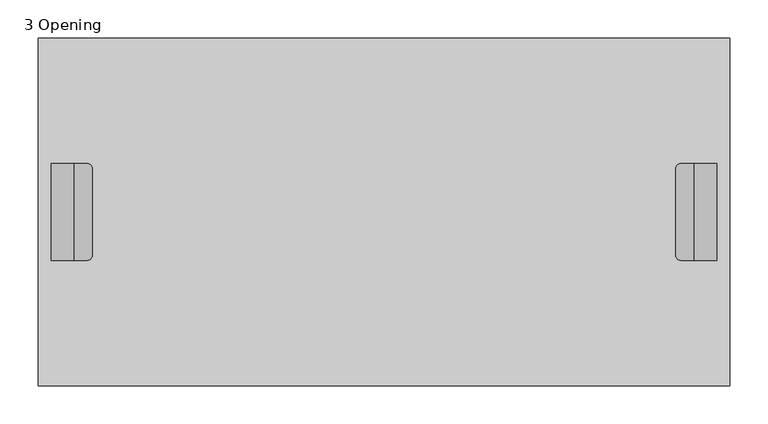
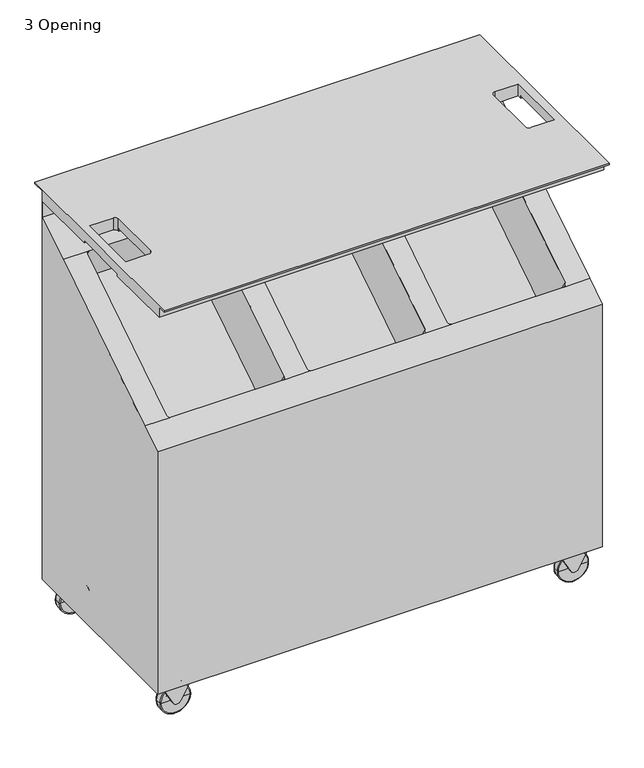
"""IFC4 building model written with IfcOpenShell, lengths in millimetres: furniture geometry, 3 Opening."""

from ifc_helpers import new_model, si_unit, point, frame, frame_2d, origin, place, context, project, spatial, polyline, circle_curve, ellipse_curve, trimmed, segment, composite_curve, outline, extrude, source, transform, mapped, element, save
from ifc_brep_helpers import plane_surface, cylinder_surface, revolved_surface, advanced_brep


def furniture_3_opening_07100883(model_context):
    return source(origin(), model_context, "Body", "SolidModel", [
        advanced_brep(
        [(911.56, -457.2, 911.56), (911.56, -457.2, 907.999633), (911.56, -439.2, 907.999633), (911.56, -439.2, 886.1806), (911.56, -292.2, 886.1806), (911.56, -292.2, 891.399), (911.56, -174.1382207, 891.399), (911.56, -174.1382207, 886.1806), (911.56, -26.2, 886.1806), (911.56, -26.2, 852.0684), (911.56, -99.5358468, 805.3628057), (911.56, -388.5910552, 621.2714522), (911.56, -433.728, 592.5249671), (911.56, -433.728, 69.3674), (911.56, -25.4, 69.3674), (911.56, -25.4, 908.05), (911.56, 0.0, 908.05), (911.56, 0.0, 911.56), (2.84, -457.2, 911.56), (2.84, 0.0, 911.56), (2.84, 0.0, 908.05), (2.84, -25.4, 908.05), (2.84, -25.4, 69.3674), (2.84, -433.728, 69.3674), (2.84, -433.728, 592.5249671), (2.84, -388.5910552, 621.2714522), (2.84, -99.5358468, 805.3628057), (2.84, -26.2, 852.0684), (2.84, -26.2, 886.1806), (2.84, -174.1382207, 886.1806), (2.84, -174.1382207, 891.399), (2.84, -292.2, 891.399), (2.84, -292.2, 886.1806), (2.84, -439.2, 886.1806), (2.84, -439.2, 907.999633), (2.84, -457.2, 907.999633), (19.9, -292.2, 891.399), (19.9, -292.2, 911.56), (67.5633572, -292.2, 911.56), (67.5633572, -292.2, 891.399), (846.8366428, -292.2, 891.399), (846.8366428, -292.2, 911.56), (894.5, -292.2, 911.56), (894.5, -292.2, 891.399), (894.5, -174.1382207, 891.399), (19.9, -174.1382207, 891.399), (73.9133572, -285.85, 891.399), (73.9133572, -174.1382207, 891.399), (840.4866428, -174.1382207, 891.399), (840.4866428, -285.85, 891.399), (894.5, -174.1382207, 886.1806), (19.9, -174.1382207, 886.1806), (73.9133572, -174.1382207, 886.1806), (840.4866428, -174.1382207, 886.1806), (894.5, -165.2030242, 886.1806), (846.8366428, -165.2030242, 886.1806), (840.4866428, -171.5530242, 886.1806), (73.9133572, -171.5530242, 886.1806), (67.5633572, -165.2030242, 886.1806), (19.9, -165.2030242, 886.1806), (56.15, -99.5358468, 805.3628057), (284.75, -99.5358468, 805.3628057), (343.4, -99.5358468, 805.3628057), (572.0, -99.5358468, 805.3628057), (629.65, -99.5358468, 805.3628057), (858.25, -99.5358468, 805.3628057), (864.6, -104.8918621, 801.9517061), (864.6, -383.2354342, 624.6823007), (858.3270488, -388.5910552, 621.2714522), (53.5728625, -388.5910552, 621.2714522), (49.8, -383.6959765, 624.388994), (49.8, -104.8918621, 801.9517061), (291.1, -104.8918621, 801.9517061), (291.1, -383.6959765, 624.388994), (287.3271375, -388.5910552, 621.2714522), (340.7363542, -388.5910552, 621.2714522), (337.05, -383.7290339, 624.3679406), (337.05, -104.8918621, 801.9517061), (578.35, -104.8918621, 801.9517061), (578.35, -383.7290339, 624.3679406), (574.6636458, -388.5910552, 621.2714522), (629.65, -388.5914495, 621.2712011), (623.3, -383.2354342, 624.6823007), (623.3, -104.8918621, 801.9517061), (572.0, -389.0850492, 620.956841), (343.4, -389.0850492, 620.956841), (284.75, -389.0519917, 620.9778944), (56.15, -389.0519917, 620.9778944), (19.9, -165.2030242, 911.56), (67.5633572, -165.2030242, 911.56), (73.9133572, -171.5530242, 911.56), (73.9133572, -285.85, 911.56), (840.4866428, -171.5530242, 911.56), (846.8366428, -165.2030242, 911.56), (894.5, -165.2030242, 911.56), (840.4866428, -285.85, 911.56), (56.15, -28.2063361, 693.3631588), (49.8, -33.5623514, 689.9520592), (49.8, -312.3664657, 512.3893471), (56.15, -317.722481, 508.9782475), (284.75, -317.722481, 508.9782475), (291.1, -312.3664657, 512.3893471), (291.1, -33.5623514, 689.9520592), (284.75, -28.2063361, 693.3631588), (343.4, -28.2063361, 693.3631588), (337.05, -33.5623514, 689.9520592), (337.05, -312.3995232, 512.3682937), (343.4, -317.7555385, 508.9571941), (572.0, -317.7555385, 508.9571941), (578.35, -312.3995232, 512.3682937), (578.35, -33.5623514, 689.9520592), (572.0, -28.2063361, 693.3631588), (629.65, -28.2063361, 693.3631588), (623.3, -33.5623514, 689.9520592), (623.3, -311.9059235, 512.6826538), (629.65, -317.2619388, 509.2715542), (858.25, -317.2619388, 509.2715542), (864.6, -311.9059235, 512.6826538), (864.6, -33.5623514, 689.9520592), (858.25, -28.2063361, 693.3631588)],
        [
            (0, 1),
            (1, 2),
            (2, 3),
            (3, 4),
            (4, 5),
            (5, 6),
            (6, 7),
            (7, 8),
            (8, 9),
            (9, 10),
            (10, 11),
            (11, 12),
            (12, 13),
            (13, 14),
            (14, 15),
            (15, 16),
            (16, 17),
            (17, 0),
            (18, 19),
            (19, 20),
            (20, 21),
            (21, 22),
            (22, 23),
            (23, 24),
            (24, 25),
            (25, 26),
            (26, 27),
            (27, 28),
            (28, 29),
            (29, 30),
            (30, 31),
            (31, 32),
            (32, 33),
            (33, 34),
            (34, 35),
            (35, 18),
            (0, 18),
            (35, 1),
            (34, 2),
            (33, 3),
            (32, 4),
            (31, 36),
            (36, 37),
            (37, 38),
            (38, 39),
            (39, 40),
            (40, 41),
            (41, 42),
            (42, 43),
            (43, 5),
            (43, 44),
            (44, 6),
            (30, 45),
            (45, 36),
            (39, 46, circle_curve(frame((67.5633572, -285.85, 891.399), z_axis=(0.0, 0.0, 1.0), x_axis=(1.0, 0.0, 0.0)), 6.35)),
            (46, 47),
            (47, 48),
            (48, 49),
            (49, 40, circle_curve(frame((846.8366428, -285.85, 891.399), z_axis=(0.0, 0.0, 1.0), x_axis=(1.0, 0.0, 0.0)), 6.35)),
            (44, 50),
            (50, 7),
            (29, 51),
            (51, 45),
            (47, 52),
            (52, 53),
            (53, 48),
            (50, 54),
            (54, 55),
            (55, 56, circle_curve(frame((846.8366428, -171.5530242, 886.1806), z_axis=(0.0, 0.0, 1.0), x_axis=(1.0, 0.0, 0.0)), 6.35)),
            (56, 53),
            (52, 57),
            (57, 58, circle_curve(frame((67.5633572, -171.5530242, 886.1806), z_axis=(0.0, 0.0, 1.0), x_axis=(1.0, 0.0, 0.0)), 6.35)),
            (58, 59),
            (59, 51),
            (28, 8),
            (27, 9),
            (26, 60),
            (60, 61),
            (61, 62),
            (62, 63),
            (63, 64),
            (64, 65),
            (65, 10),
            (65, 66, circle_curve(frame((858.25, -104.8918621, 801.9517061), z_axis=(0.0, 0.537181036854724, -0.8434669724676147), x_axis=(1.0, 0.0, 0.0)), 6.35)),
            (66, 67),
            (67, 68, circle_curve(frame((858.25, -383.2354342, 624.6823007), z_axis=(0.0, 0.537181036854724, -0.8434669724676147), x_axis=(1.0, 0.0, 0.0)), 6.35)),
            (68, 11),
            (25, 69),
            (69, 70, circle_curve(frame((56.15, -383.6959765, 624.388994), z_axis=(0.0, 0.537181036854724, -0.8434669724676147), x_axis=(1.0, 0.0, 0.0)), 6.35)),
            (70, 71),
            (71, 60, circle_curve(frame((56.15, -104.8918621, 801.9517061), z_axis=(0.0, 0.537181036854724, -0.8434669724676147), x_axis=(1.0, 0.0, 0.0)), 6.35)),
            (61, 72, circle_curve(frame((284.75, -104.8918621, 801.9517061), z_axis=(0.0, 0.537181036854724, -0.8434669724676147), x_axis=(1.0, 0.0, 0.0)), 6.35)),
            (72, 73),
            (73, 74, circle_curve(frame((284.75, -383.6959765, 624.388994), z_axis=(0.0, 0.537181036854724, -0.8434669724676147), x_axis=(1.0, 0.0, 0.0)), 6.35)),
            (74, 75),
            (75, 76, circle_curve(frame((343.4, -383.7290339, 624.3679406), z_axis=(0.0, 0.537181036854724, -0.8434669724676147), x_axis=(1.0, 0.0, 0.0)), 6.35)),
            (76, 77),
            (77, 62, circle_curve(frame((343.4, -104.8918621, 801.9517061), z_axis=(0.0, 0.537181036854724, -0.8434669724676147), x_axis=(1.0, 0.0, 0.0)), 6.35)),
            (63, 78, circle_curve(frame((572.0, -104.8918621, 801.9517061), z_axis=(0.0, 0.537181036854724, -0.8434669724676147), x_axis=(1.0, 0.0, 0.0)), 6.35)),
            (78, 79),
            (79, 80, circle_curve(frame((572.0, -383.7290339, 624.3679406), z_axis=(0.0, 0.537181036854724, -0.8434669724676147), x_axis=(1.0, 0.0, 0.0)), 6.35)),
            (80, 81),
            (81, 82, circle_curve(frame((629.65, -383.2354342, 624.6823007), z_axis=(0.0, 0.537181036854724, -0.8434669724676147), x_axis=(1.0, 0.0, 0.0)), 6.35)),
            (82, 83),
            (83, 64, circle_curve(frame((629.65, -104.8918621, 801.9517061), z_axis=(0.0, 0.537181036854724, -0.8434669724676147), x_axis=(1.0, 0.0, 0.0)), 6.35)),
            (68, 81),
            (80, 84, circle_curve(frame((572.0, -383.7290339, 624.3679406), z_axis=(0.0, 0.537181036854724, -0.8434669724676147), x_axis=(1.0, 0.0, 0.0)), 6.35)),
            (84, 85),
            (85, 75, circle_curve(frame((343.4, -383.7290339, 624.3679406), z_axis=(0.0, 0.537181036854724, -0.8434669724676147), x_axis=(1.0, 0.0, 0.0)), 6.35)),
            (74, 86, circle_curve(frame((284.75, -383.6959765, 624.388994), z_axis=(0.0, 0.537181036854724, -0.8434669724676147), x_axis=(1.0, 0.0, 0.0)), 6.35)),
            (86, 87),
            (87, 69, circle_curve(frame((56.15, -383.6959765, 624.388994), z_axis=(0.0, 0.537181036854724, -0.8434669724676147), x_axis=(1.0, 0.0, 0.0)), 6.35)),
            (24, 12),
            (23, 13),
            (22, 14),
            (21, 15),
            (20, 16),
            (19, 17),
            (88, 89),
            (89, 90, circle_curve(frame((67.5633572, -171.5530242, 911.56), z_axis=(0.0, 0.0, -1.0), x_axis=(1.0, 0.0, 0.0)), 6.35)),
            (90, 91),
            (91, 38, circle_curve(frame((67.5633572, -285.85, 911.56), z_axis=(0.0, 0.0, -1.0), x_axis=(1.0, 0.0, 0.0)), 6.35)),
            (37, 88),
            (92, 93, circle_curve(frame((846.8366428, -171.5530242, 911.56), z_axis=(0.0, 0.0, -1.0), x_axis=(1.0, 0.0, 0.0)), 6.35)),
            (93, 94),
            (94, 42),
            (41, 95, circle_curve(frame((846.8366428, -285.85, 911.56), z_axis=(0.0, 0.0, -1.0), x_axis=(1.0, 0.0, 0.0)), 6.35)),
            (95, 92),
            (96, 97, circle_curve(frame((56.15, -33.5623514, 689.9520592), z_axis=(0.0, -0.537181036854724, 0.8434669724676147), x_axis=(1.0, 0.0, 0.0)), 6.35)),
            (97, 98),
            (98, 99, circle_curve(frame((56.15, -312.3664657, 512.3893471), z_axis=(0.0, -0.537181036854724, 0.8434669724676147), x_axis=(1.0, 0.0, 0.0)), 6.35)),
            (99, 100),
            (100, 101, circle_curve(frame((284.75, -312.3664657, 512.3893471), z_axis=(0.0, -0.537181036854724, 0.8434669724676147), x_axis=(1.0, 0.0, 0.0)), 6.35)),
            (101, 102),
            (102, 103, circle_curve(frame((284.75, -33.5623514, 689.9520592), z_axis=(0.0, -0.537181036854724, 0.8434669724676147), x_axis=(1.0, 0.0, 0.0)), 6.35)),
            (103, 96),
            (104, 105, circle_curve(frame((343.4, -33.5623514, 689.9520592), z_axis=(0.0, -0.537181036854724, 0.8434669724676147), x_axis=(1.0, 0.0, 0.0)), 6.35)),
            (105, 106),
            (106, 107, circle_curve(frame((343.4, -312.3995232, 512.3682937), z_axis=(0.0, -0.537181036854724, 0.8434669724676147), x_axis=(1.0, 0.0, 0.0)), 6.35)),
            (107, 108),
            (108, 109, circle_curve(frame((572.0, -312.3995232, 512.3682937), z_axis=(0.0, -0.537181036854724, 0.8434669724676147), x_axis=(1.0, 0.0, 0.0)), 6.35)),
            (109, 110),
            (110, 111, circle_curve(frame((572.0, -33.5623514, 689.9520592), z_axis=(0.0, -0.537181036854724, 0.8434669724676147), x_axis=(1.0, 0.0, 0.0)), 6.35)),
            (111, 104),
            (112, 113, circle_curve(frame((629.65, -33.5623514, 689.9520592), z_axis=(0.0, -0.537181036854724, 0.8434669724676147), x_axis=(1.0, 0.0, 0.0)), 6.35)),
            (113, 114),
            (114, 115, circle_curve(frame((629.65, -311.9059235, 512.6826538), z_axis=(0.0, -0.537181036854724, 0.8434669724676147), x_axis=(1.0, 0.0, 0.0)), 6.35)),
            (115, 116),
            (116, 117, circle_curve(frame((858.25, -311.9059235, 512.6826538), z_axis=(0.0, -0.537181036854724, 0.8434669724676147), x_axis=(1.0, 0.0, 0.0)), 6.35)),
            (117, 118),
            (118, 119, circle_curve(frame((858.25, -33.5623514, 689.9520592), z_axis=(0.0, -0.537181036854724, 0.8434669724676147), x_axis=(1.0, 0.0, 0.0)), 6.35)),
            (119, 112),
            (96, 60),
            (71, 97),
            (70, 98),
            (87, 99),
            (86, 100),
            (73, 101),
            (72, 102),
            (61, 103),
            (104, 62),
            (77, 105),
            (76, 106),
            (85, 107),
            (84, 108),
            (79, 109),
            (78, 110),
            (63, 111),
            (112, 64),
            (83, 113),
            (82, 114),
            (81, 115),
            (68, 116),
            (67, 117),
            (66, 118),
            (65, 119),
            (58, 89),
            (88, 59),
            (91, 46),
            (90, 57),
            (55, 93),
            (92, 56),
            (95, 49),
            (94, 54),
        ],
        [
            plane_surface(frame((911.56, -457.2, 908.4), z_axis=(1.0, 0.0, 0.0), x_axis=(0.0, 0.0, -1.0))),
            plane_surface(frame((2.84, -457.2, 908.4), z_axis=(-1.0, 0.0, 0.0), x_axis=(0.0, 0.0, 1.0))),
            plane_surface(frame((911.56, -457.2, 911.56), z_axis=(0.0, -1.0, 0.0), x_axis=(-1.0, 0.0, 0.0))),
            plane_surface(frame((911.56, -457.2, 907.999633), z_axis=(0.0, 0.0, -1.0), x_axis=(-1.0, 0.0, 0.0))),
            plane_surface(frame((911.56, -439.2, 907.999633), z_axis=(0.0, -1.0, 0.0), x_axis=(-1.0, 0.0, 0.0))),
            plane_surface(frame((911.56, -439.2, 886.1806), z_axis=(0.0, 0.0, -1.0), x_axis=(-1.0, 0.0, 0.0))),
            plane_surface(frame((911.56, -292.2, 886.1806), z_axis=(0.0, 1.0, 0.0), x_axis=(-1.0, 0.0, 0.0))),
            plane_surface(frame((911.56, -292.2, 891.399), z_axis=(0.0, 0.0, -1.0), x_axis=(-1.0, 0.0, 0.0))),
            plane_surface(frame((911.56, -174.1382207, 891.399), z_axis=(0.0, -1.0, 0.0), x_axis=(-1.0, 0.0, 0.0))),
            plane_surface(frame((911.56, -174.1382207, 886.1806), z_axis=(0.0, 0.0, -1.0), x_axis=(-1.0, 0.0, 0.0))),
            plane_surface(frame((911.56, -26.2, 886.1806), z_axis=(0.0, -1.0, 0.0), x_axis=(-1.0, 0.0, 0.0))),
            plane_surface(frame((911.56, -26.2, 852.0684), z_axis=(0.0, -0.5371810368547243, 0.8434669724676145), x_axis=(-1.0, 0.0, 0.0))),
            plane_surface(frame((911.56, -99.5358468, 805.3628057), z_axis=(0.0, -0.5371810368547202, 0.843466972467617), x_axis=(-1.0, 0.0, 0.0))),
            plane_surface(frame((911.56, -388.5910552, 621.2714522), z_axis=(0.0, -0.5371810368547485, 0.843466972467599), x_axis=(-1.0, 0.0, 0.0))),
            plane_surface(frame((911.56, -433.728, 592.5249671), z_axis=(0.0, -1.0, 0.0), x_axis=(-1.0, 0.0, 0.0))),
            plane_surface(frame((911.56, -433.728, 69.3674), z_axis=(0.0, 0.0, -1.0), x_axis=(-1.0, 0.0, 0.0))),
            plane_surface(frame((911.56, -25.4, 69.3674), z_axis=(0.0, 1.0, 0.0), x_axis=(-1.0, 0.0, 0.0))),
            plane_surface(frame((911.56, -25.4, 908.05), z_axis=(0.0, 0.0, -1.0), x_axis=(-1.0, 0.0, 0.0))),
            plane_surface(frame((911.56, 0.0, 908.05), z_axis=(0.0, 1.0, 0.0), x_axis=(-1.0, 0.0, 0.0))),
            plane_surface(frame((911.56, 0.0, 911.56), z_axis=(0.0, 0.0, 1.0), x_axis=(-1.0, 0.0, 0.0))),
            plane_surface(frame((62.5, -33.5623514, 689.9520592), z_axis=(0.0, -0.5371810368547238, 0.8434669724676146), x_axis=(0.0, -0.8434669724676146, -0.5371810368547238))),
            revolved_surface(polyline([(62.5, -104.89186210967017, 801.9517060939999), (62.5, -33.5623514, 689.9520592)]), (56.15, -33.5623514, 689.9520592), (0.0, -0.537181036854724, 0.8434669724676147)),
            plane_surface(frame((49.8, -130.0259643, 841.416586), z_axis=(1.0, 0.0, 0.0), x_axis=(0.0, 0.537181036854724, -0.8434669724676146))),
            revolved_surface(polyline([(62.5, -383.6959764384547, 624.3889940391965), (62.5, -312.36646569992814, 512.3893470998872)]), (56.15, -312.3664657, 512.3893471), (0.0, -0.537181036854724, 0.8434669724676147)),
            plane_surface(frame((56.15, -414.1860939, 660.4427743), z_axis=(0.0, 0.8434669724676147, 0.5371810368547238), x_axis=(0.0, 0.5371810368547238, -0.8434669724676147))),
            revolved_surface(polyline([(291.1, -383.6959764384547, 624.3889940391965), (291.1, -312.36646569992814, 512.3893470998872)]), (284.75, -312.3664657, 512.3893471), (0.0, -0.537181036854724, 0.8434669724676147)),
            plane_surface(frame((291.1, -408.8300787, 663.8538738), z_axis=(-1.0, 0.0, 0.0), x_axis=(0.0, 0.5371810368547238, -0.8434669724676147))),
            revolved_surface(polyline([(291.1, -104.89186210967017, 801.9517060939999), (291.1, -33.5623514, 689.9520592)]), (284.75, -33.5623514, 689.9520592), (0.0, -0.537181036854724, 0.8434669724676147)),
            plane_surface(frame((284.75, -124.669949, 844.8276856), z_axis=(0.0, -0.8434669724676147, -0.5371810368547238), x_axis=(0.0, 0.5371810368547238, -0.8434669724676147))),
            revolved_surface(polyline([(349.75, -104.89186207848707, 801.9517061138598), (349.75, -33.56235136881685, 689.95205921986)]), (343.4, 325.1981738, 126.6360945), (0.0, -0.537181036854724, 0.8434669724676147)),
            plane_surface(frame((337.05, -130.0259643, 841.416586), z_axis=(1.0, 0.0, 0.0), x_axis=(0.0, 0.5371810368547245, -0.8434669724676143))),
            revolved_surface(polyline([(349.75, -383.72903394955887, 624.3679405684375), (349.75, -312.3995232398886, 512.3682936744375)]), (343.4, 46.3610019, -50.947671), (0.0, -0.537181036854724, 0.8434669724676147)),
            plane_surface(frame((343.4, -414.2191514, 660.4217209), z_axis=(0.0, 0.8434669724676147, 0.5371810368547238), x_axis=(0.0, 0.5371810368547238, -0.8434669724676147))),
            revolved_surface(polyline([(578.35, -383.72903394955887, 624.3679405684375), (578.35, -312.3995232398886, 512.3682936744375)]), (572.0, 46.3610019, -50.947671), (0.0, -0.537181036854724, 0.8434669724676147)),
            plane_surface(frame((578.35, -408.8631361, 663.8328204), z_axis=(-1.0000000000000002, 0.0, 0.0), x_axis=(0.0, 0.5371810368547248, -0.8434669724676142))),
            revolved_surface(polyline([(578.35, -104.89186207848707, 801.9517061138598), (578.35, -33.56235136881685, 689.95205921986)]), (572.0, 325.1981738, 126.6360945), (0.0, -0.537181036854724, 0.8434669724676147)),
            plane_surface(frame((572.0, -124.669949, 844.8276856), z_axis=(0.0, -0.8434669724676147, -0.5371810368547238), x_axis=(0.0, 0.5371810368547238, -0.8434669724676147))),
            revolved_surface(polyline([(636.0, -104.89186207848707, 801.9517061138598), (636.0, -33.56235136881685, 689.95205921986)]), (629.65, 325.1981738, 126.6360945), (0.0, -0.537181036854724, 0.8434669724676147)),
            plane_surface(frame((623.3, -130.0259643, 841.416586), z_axis=(1.0, 0.0, 0.0), x_axis=(0.0, 0.5371810368547238, -0.8434669724676147))),
            revolved_surface(polyline([(636.0, -383.23543424955886, 624.6823006684375), (636.0, -311.9059235398887, 512.6826537744378)]), (629.65, 46.8546016, -50.6333109), (0.0, -0.537181036854724, 0.8434669724676147)),
            plane_surface(frame((629.65, -413.7255517, 660.736081), z_axis=(0.0, 0.8434669724676144, 0.5371810368547244), x_axis=(0.0, 0.5371810368547244, -0.8434669724676144))),
            revolved_surface(polyline([(864.6, -383.23543424955886, 624.6823006684375), (864.6, -311.9059235398887, 512.6826537744378)]), (858.25, 46.8546016, -50.6333109), (0.0, -0.537181036854724, 0.8434669724676147)),
            plane_surface(frame((864.6, -408.3695364, 664.1471806), z_axis=(-1.0, 0.0, 0.0), x_axis=(0.0, 0.5371810368547236, -0.8434669724676148))),
            revolved_surface(polyline([(864.6, -104.89186207848707, 801.9517061138598), (864.6, -33.56235136881685, 689.95205921986)]), (858.25, 325.1981738, 126.6360945), (0.0, -0.537181036854724, 0.8434669724676147)),
            plane_surface(frame((858.25, -124.669949, 844.8276856), z_axis=(0.0, -0.8434669724676147, -0.5371810368547238), x_axis=(0.0, 0.5371810368547238, -0.8434669724676147))),
            plane_surface(frame((67.5633572, -165.2030242, 914.4), z_axis=(0.0, -1.0, 0.0), x_axis=(0.0, 0.0, -1.0))),
            plane_surface(frame((19.9, -165.2030242, 914.4), z_axis=(1.0, 0.0, 0.0), x_axis=(0.0, 0.0, -1.0))),
            revolved_surface(polyline([(73.9133572, -285.85, 911.56), (73.9133572, -285.85, 891.399)]), (67.5633572, -285.85, 882.65), (0.0, 0.0, 1.0)),
            plane_surface(frame((73.9133572, -285.85, 914.4), z_axis=(-1.0, 0.0, 0.0), x_axis=(0.0, 0.0, -1.0))),
            revolved_surface(polyline([(73.9133572, -171.5530242, 911.56), (73.9133572, -171.5530242, 886.1806)]), (67.5633572, -171.5530242, 882.65), (0.0, 0.0, 1.0)),
            revolved_surface(polyline([(853.1866428000001, -171.5530242, 911.56), (853.1866428000001, -171.5530242, 886.1806)]), (846.8366428, -171.5530242, 0.0), (0.0, 0.0, 1.0)),
            plane_surface(frame((840.4866428, -171.5530242, 914.4), z_axis=(1.0, 0.0, 0.0), x_axis=(0.0, 0.0, -1.0))),
            revolved_surface(polyline([(853.1866428000001, -285.85, 911.56), (853.1866428000001, -285.85, 891.399)]), (846.8366428, -285.85, 0.0), (0.0, 0.0, 1.0)),
            plane_surface(frame((894.5, -292.2, 914.4), z_axis=(-1.0, 0.0, 0.0), x_axis=(0.0, 0.0, -1.0))),
            plane_surface(frame((894.5, -165.2030242, 914.4), z_axis=(0.0, -1.0, 0.0), x_axis=(0.0, 0.0, -1.0))),
        ],
        [
            (0, [[1, 2, 3, 4, 5, 6, 7, 8, 9, 10, 11, 12, 13, 14, 15, 16, 17, 18]]),
            (1, [[19, 20, 21, 22, 23, 24, 25, 26, 27, 28, 29, 30, 31, 32, 33, 34, 35, 36]]),
            (2, [[-1, 37, -36, 38]]),
            (3, [[-2, -38, -35, 39]]),
            (4, [[-3, -39, -34, 40]]),
            (5, [[41, -4, -40, -33]]),
            (6, [[-5, -41, -32, 42, 43, 44, 45, 46, 47, 48, 49, 50]]),
            (7, [[-6, -50, 51, 52]]),
            (7, [[-31, 53, 54, -42]]),
            (7, [[-46, 55, 56, 57, 58, 59]]),
            (8, [[-7, -52, 60, 61]]),
            (8, [[-30, 62, 63, -53]]),
            (8, [[-57, 64, 65, 66]]),
            (9, [[-8, -61, 67, 68, 69, 70, -65, 71, 72, 73, 74, -62, -29, 75]]),
            (10, [[-9, -75, -28, 76]]),
            (11, [[-10, -76, -27, 77, 78, 79, 80, 81, 82, 83]]),
            (12, [[-11, -83, 84, 85, 86, 87]]),
            (12, [[-26, 88, 89, 90, 91, -77]]),
            (12, [[-79, 92, 93, 94, 95, 96, 97, 98]]),
            (12, [[-81, 99, 100, 101, 102, 103, 104, 105]]),
            (13, [[-12, -87, 106, -102, 107, 108, 109, -95, 110, 111, 112, -88, -25, 113]]),
            (14, [[-13, -113, -24, 114]]),
            (15, [[-14, -114, -23, 115]]),
            (16, [[-15, -115, -22, 116]]),
            (17, [[-16, -116, -21, 117]]),
            (18, [[-17, -117, -20, 118]]),
            (19, [[-18, -118, -19, -37], [119, 120, 121, 122, -44, 123], [124, 125, 126, -48, 127, 128]]),
            (20, [[129, 130, 131, 132, 133, 134, 135, 136]]),
            (20, [[137, 138, 139, 140, 141, 142, 143, 144]]),
            (20, [[145, 146, 147, 148, 149, 150, 151, 152]]),
            (21, [[-129, 153, -91, 154]]),
            (22, [[-130, -154, -90, 155]]),
            (23, [[-131, -155, -89, -112, 156]]),
            (24, [[-132, -156, -111, 157]]),
            (25, [[-133, -157, -110, -94, 158]]),
            (26, [[-134, -158, -93, 159]]),
            (27, [[-135, -159, -92, 160]]),
            (28, [[-136, -160, -78, -153]]),
            (29, [[-137, 161, -98, 162]]),
            (30, [[-138, -162, -97, 163]]),
            (31, [[-139, -163, -96, -109, 164]]),
            (32, [[-140, -164, -108, 165]]),
            (33, [[-141, -165, -107, -101, 166]]),
            (34, [[-142, -166, -100, 167]]),
            (35, [[-143, -167, -99, 168]]),
            (36, [[-144, -168, -80, -161]]),
            (37, [[-145, 169, -105, 170]]),
            (38, [[-146, -170, -104, 171]]),
            (39, [[-147, -171, -103, 172]]),
            (40, [[-148, -172, -106, 173]]),
            (41, [[-149, -173, -86, 174]]),
            (42, [[-150, -174, -85, 175]]),
            (43, [[-151, -175, -84, 176]]),
            (44, [[-152, -176, -82, -169]]),
            (45, [[177, -119, 178, -73]]),
            (46, [[-178, -123, -43, -54, -63, -74]]),
            (47, [[-45, -122, 179, -55]]),
            (48, [[-179, -121, 180, -71, -64, -56]]),
            (49, [[-177, -72, -180, -120]]),
            (50, [[181, -124, 182, -69]]),
            (51, [[-182, -128, 183, -58, -66, -70]]),
            (52, [[-183, -127, -47, -59]]),
            (53, [[-49, -126, 184, -67, -60, -51]]),
            (54, [[-181, -68, -184, -125]]),
        ],
    ),
        extrude(outline(composite_curve([segment(polyline([(60.8674, 890.58), (66.1974, 890.58), (66.1974, 836.62), (60.8674, 836.62), (27.3790609, 855.1828895)]), True, "CONTINUOUS"), segment(trimmed(circle_curve(frame_2d((32.0447415, 863.6)), 9.6237376), [point((27.3790609, 855.1828895))], [point((27.3790609, 872.0171105))], False, "CARTESIAN"), True, "CONTINUOUS"), segment(polyline([(27.3790609, 872.0171105), (60.8674, 890.58)]), True, "CONTINUOUS")], self_intersect=False)), frame((0.0, -396.87, 0.0), z_axis=(0.0, 1.0, 0.0), x_axis=(0.0, 0.0, 1.0)), (0.0, 0.0, 1.0), 3.17),
        extrude(outline(composite_curve([segment(polyline([(60.8674, 890.58), (66.1974, 890.58), (66.1974, 836.62), (60.8674, 836.62), (27.3790609, 855.1828895)]), True, "CONTINUOUS"), segment(trimmed(circle_curve(frame_2d((32.0447415, 863.6)), 9.6237376), [point((27.3790609, 855.1828895))], [point((27.3790609, 872.0171105))], False, "CARTESIAN"), True, "CONTINUOUS"), segment(polyline([(27.3790609, 872.0171105), (60.8674, 890.58)]), True, "CONTINUOUS")], self_intersect=False)), frame((0.0, -419.1, 0.0), z_axis=(0.0, 1.0, 0.0), x_axis=(0.0, 0.0, 1.0)), (0.0, 0.0, 1.0), 3.17),
        advanced_brep(
        [(833.5826896, -414.106, 30.7081109), (893.6173104, -414.106, 30.7081109), (863.6, -414.106, 30.7081109), (832.1168465, -412.6401569, 30.7081109), (895.0831535, -412.6401569, 30.7081109), (832.1168465, -400.9169496, 30.7081109), (895.0831535, -400.9169496, 30.7081109), (833.9237961, -399.11, 30.7081109), (893.2762039, -399.11, 30.7081109), (863.6, -399.11, 30.7081109)],
        [
            (0, 1, circle_curve(frame((863.6, -414.106, 30.7081109), z_axis=(0.0, -1.0, 0.0), x_axis=(1.0, 0.0, 0.0)), 30.0173104)),
            (1, 2),
            (2, 0),
            (1, 0, circle_curve(frame((863.6, -414.106, 30.7081109), z_axis=(0.0, -1.0, 0.0), x_axis=(1.0, 0.0, 0.0)), 30.0173104)),
            (3, 4, circle_curve(frame((863.6, -412.6401569, 30.7081109), z_axis=(0.0, -1.0, 0.0), x_axis=(1.0, 0.0, 0.0)), 31.4831535)),
            (4, 1, circle_curve(frame((893.6173104, -412.6401569, 30.7081109), z_axis=(0.0, 0.0, -1.0), x_axis=(-1.0, 0.0, 0.0)), 1.4658431)),
            (0, 3, circle_curve(frame((833.5826896, -412.6401569, 30.7081109), z_axis=(0.0, 0.0, -1.0), x_axis=(1.0, 0.0, 0.0)), 1.4658431)),
            (4, 3, circle_curve(frame((863.6, -412.6401569, 30.7081109), z_axis=(0.0, -1.0, 0.0), x_axis=(1.0, 0.0, 0.0)), 31.4831535)),
            (5, 6, circle_curve(frame((863.6, -400.9169496, 30.7081109), z_axis=(0.0, -1.0, 0.0), x_axis=(1.0, 0.0, 0.0)), 31.4831535)),
            (6, 4),
            (3, 5),
            (6, 5, circle_curve(frame((863.6, -400.9169496, 30.7081109), z_axis=(0.0, -1.0, 0.0), x_axis=(1.0, 0.0, 0.0)), 31.4831535)),
            (7, 8, circle_curve(frame((863.6, -399.11, 30.7081109), z_axis=(0.0, -1.0, 0.0), x_axis=(1.0, 0.0, 0.0)), 29.6762039)),
            (8, 6, circle_curve(frame((893.2762039, -400.9169496, 30.7081109), z_axis=(0.0, 0.0, -1.0), x_axis=(-1.0, 0.0, 0.0)), 1.8069496)),
            (5, 7, circle_curve(frame((833.9237961, -400.9169496, 30.7081109), z_axis=(0.0, 0.0, -1.0), x_axis=(1.0, 0.0, 0.0)), 1.8069496)),
            (8, 7, circle_curve(frame((863.6, -399.11, 30.7081109), z_axis=(0.0, -1.0, 0.0), x_axis=(1.0, 0.0, 0.0)), 29.6762039)),
            (9, 8),
            (7, 9),
        ],
        [
            plane_surface(frame((863.6, -414.106, 30.7081109), z_axis=(0.0, -1.0, 0.0), x_axis=(1.0, 0.0, 0.0))),
            revolved_surface(trimmed(ellipse_curve(frame((893.6173104, -412.6401569, 30.7081109), z_axis=(0.0, 0.0, 1.0), x_axis=(-1.0, 0.0, 0.0)), 1.4658431, 1.4658431), [point((893.6173104, -414.106, 30.7081109))], [point((895.0831535, -412.6401569, 30.7081109))], True, "CARTESIAN"), (863.6, -409.0544886, 30.7081109), (0.0, 1.0, 0.0)),
            cylinder_surface(frame((863.6, -409.0544886, 30.7081109), z_axis=(0.0, 1.0, 0.0), x_axis=(1.0, 0.0, 0.0)), 31.4831535),
            revolved_surface(trimmed(ellipse_curve(frame((893.2762039, -400.9169496, 30.7081109), z_axis=(0.0, 0.0, 1.0), x_axis=(-1.0, 0.0, 0.0)), 1.8069496, 1.8069496), [point((895.0831535, -400.9169496, 30.7081109))], [point((893.2762039, -399.11, 30.7081109))], True, "CARTESIAN"), (863.6, -409.0544886, 30.7081109), (0.0, 1.0, 0.0)),
            plane_surface(frame((863.6, -399.11, 30.7081109), z_axis=(0.0, 1.0, 0.0), x_axis=(1.0, 0.0, 0.0))),
        ],
        [
            (0, [[1, 2, 3]]),
            (0, [[4, -3, -2]]),
            (1, [[5, 6, -1, 7]]),
            (1, [[8, -7, -4, -6]]),
            (2, [[9, 10, -5, 11]]),
            (2, [[12, -11, -8, -10]]),
            (3, [[13, 14, -9, 15]]),
            (3, [[16, -15, -12, -14]]),
            (4, [[17, -13, 18]]),
            (4, [[-18, -16, -17]]),
        ],
    ),
        extrude(outline(polyline([(836.62, -419.1), (836.62, -393.7), (890.58, -393.7), (890.58, -419.1), (836.62, -419.1)])), frame((0.0, 0.0, 66.1974), z_axis=(0.0, 0.0, 1.0), x_axis=(1.0, 0.0, 0.0)), (0.0, 0.0, 1.0), 3.17),
        extrude(outline(composite_curve([segment(polyline([(60.8674, 23.82), (27.3790609, 42.3828895)]), True, "CONTINUOUS"), segment(trimmed(circle_curve(frame_2d((32.0447415, 50.8)), 9.6237376), [point((27.3790609, 42.3828895))], [point((27.3790609, 59.2171105))], False, "CARTESIAN"), True, "CONTINUOUS"), segment(polyline([(27.3790609, 59.2171105), (60.8674, 77.78), (66.1974, 77.78), (66.1974, 23.82), (60.8674, 23.82)]), True, "CONTINUOUS")], self_intersect=False)), frame((0.0, -396.87, 0.0), z_axis=(0.0, 1.0, 0.0), x_axis=(0.0, 0.0, 1.0)), (0.0, 0.0, 1.0), 3.17),
        extrude(outline(composite_curve([segment(polyline([(60.8674, 23.82), (27.3790609, 42.3828895)]), True, "CONTINUOUS"), segment(trimmed(circle_curve(frame_2d((32.0447415, 50.8)), 9.6237376), [point((27.3790609, 42.3828895))], [point((27.3790609, 59.2171105))], False, "CARTESIAN"), True, "CONTINUOUS"), segment(polyline([(27.3790609, 59.2171105), (60.8674, 77.78), (66.1974, 77.78), (66.1974, 23.82), (60.8674, 23.82)]), True, "CONTINUOUS")], self_intersect=False)), frame((0.0, -419.1, 0.0), z_axis=(0.0, 1.0, 0.0), x_axis=(0.0, 0.0, 1.0)), (0.0, 0.0, 1.0), 3.17),
        advanced_brep(
        [(80.4762039, -399.11, 30.7081109), (21.1237961, -399.11, 30.7081109), (50.8, -399.11, 30.7081109), (82.2831535, -400.9169496, 30.7081109), (19.3168465, -400.9169496, 30.7081109), (82.2831535, -412.6401569, 30.7081109), (19.3168465, -412.6401569, 30.7081109), (80.8173104, -414.106, 30.7081109), (20.7826896, -414.106, 30.7081109), (50.8, -414.106, 30.7081109)],
        [
            (0, 1, circle_curve(frame((50.8, -399.11, 30.7081109), z_axis=(0.0, 1.0, 0.0), x_axis=(-1.0, 0.0, 0.0)), 29.6762039)),
            (1, 2),
            (2, 0),
            (1, 0, circle_curve(frame((50.8, -399.11, 30.7081109), z_axis=(0.0, 1.0, 0.0), x_axis=(-1.0, 0.0, 0.0)), 29.6762039)),
            (3, 4, circle_curve(frame((50.8, -400.9169496, 30.7081109), z_axis=(0.0, 1.0, 0.0), x_axis=(-1.0, 0.0, 0.0)), 31.4831535)),
            (4, 1, circle_curve(frame((21.1237961, -400.9169496, 30.7081109), z_axis=(0.0, 0.0, -1.0), x_axis=(1.0, 0.0, 0.0)), 1.8069496)),
            (0, 3, circle_curve(frame((80.4762039, -400.9169496, 30.7081109), z_axis=(0.0, 0.0, -1.0), x_axis=(-1.0, 0.0, 0.0)), 1.8069496)),
            (4, 3, circle_curve(frame((50.8, -400.9169496, 30.7081109), z_axis=(0.0, 1.0, 0.0), x_axis=(-1.0, 0.0, 0.0)), 31.4831535)),
            (5, 6, circle_curve(frame((50.8, -412.6401569, 30.7081109), z_axis=(0.0, 1.0, 0.0), x_axis=(-1.0, 0.0, 0.0)), 31.4831535)),
            (6, 4),
            (3, 5),
            (6, 5, circle_curve(frame((50.8, -412.6401569, 30.7081109), z_axis=(0.0, 1.0, 0.0), x_axis=(-1.0, 0.0, 0.0)), 31.4831535)),
            (7, 8, circle_curve(frame((50.8, -414.106, 30.7081109), z_axis=(0.0, 1.0, 0.0), x_axis=(-1.0, 0.0, 0.0)), 30.0173104)),
            (8, 6, circle_curve(frame((20.7826896, -412.6401569, 30.7081109), z_axis=(0.0, 0.0, -1.0), x_axis=(1.0, 0.0, 0.0)), 1.4658431)),
            (5, 7, circle_curve(frame((80.8173104, -412.6401569, 30.7081109), z_axis=(0.0, 0.0, -1.0), x_axis=(-1.0, 0.0, 0.0)), 1.4658431)),
            (8, 7, circle_curve(frame((50.8, -414.106, 30.7081109), z_axis=(0.0, 1.0, 0.0), x_axis=(-1.0, 0.0, 0.0)), 30.0173104)),
            (9, 8),
            (7, 9),
        ],
        [
            plane_surface(frame((50.8, -399.11, 30.7081109), z_axis=(0.0, 1.0, 0.0), x_axis=(-1.0, 0.0, 0.0))),
            revolved_surface(trimmed(ellipse_curve(frame((21.1237961, -400.9169496, 30.7081109), z_axis=(0.0, 0.0, 1.0), x_axis=(1.0, 0.0, 0.0)), 1.8069496, 1.8069496), [point((21.1237961, -399.11, 30.7081109))], [point((19.3168465, -400.9169496, 30.7081109))], True, "CARTESIAN"), (50.8, -409.0544886, 30.7081109), (0.0, -1.0, 0.0)),
            cylinder_surface(frame((50.8, -409.0544886, 30.7081109), z_axis=(0.0, -1.0, 0.0), x_axis=(-1.0, 0.0, 0.0)), 31.4831535),
            revolved_surface(trimmed(ellipse_curve(frame((20.7826896, -412.6401569, 30.7081109), z_axis=(0.0, 0.0, 1.0), x_axis=(1.0, 0.0, 0.0)), 1.4658431, 1.4658431), [point((19.3168465, -412.6401569, 30.7081109))], [point((20.7826896, -414.106, 30.7081109))], True, "CARTESIAN"), (50.8, -409.0544886, 30.7081109), (0.0, -1.0, 0.0)),
            plane_surface(frame((50.8, -414.106, 30.7081109), z_axis=(0.0, -1.0, 0.0), x_axis=(-1.0, 0.0, 0.0))),
        ],
        [
            (0, [[1, 2, 3]]),
            (0, [[4, -3, -2]]),
            (1, [[5, 6, -1, 7]]),
            (1, [[8, -7, -4, -6]]),
            (2, [[9, 10, -5, 11]]),
            (2, [[12, -11, -8, -10]]),
            (3, [[13, 14, -9, 15]]),
            (3, [[16, -15, -12, -14]]),
            (4, [[17, -13, 18]]),
            (4, [[-18, -16, -17]]),
        ],
    ),
        extrude(outline(polyline([(77.78, -419.1), (23.82, -419.1), (23.82, -393.7), (77.78, -393.7), (77.78, -419.1)])), frame((0.0, 0.0, 66.1974), z_axis=(0.0, 0.0, 1.0), x_axis=(1.0, 0.0, 0.0)), (0.0, 0.0, 1.0), 3.17),
        extrude(outline(composite_curve([segment(polyline([(60.8674, 890.58), (66.1974, 890.58), (66.1974, 836.62), (60.8674, 836.62), (27.3790609, 855.1828895)]), True, "CONTINUOUS"), segment(trimmed(circle_curve(frame_2d((32.0447415, 863.6)), 9.6237376), [point((27.3790609, 855.1828895))], [point((27.3790609, 872.0171105))], False, "CARTESIAN"), True, "CONTINUOUS"), segment(polyline([(27.3790609, 872.0171105), (60.8674, 890.58)]), True, "CONTINUOUS")], self_intersect=False)), frame((0.0, -63.5, 0.0), z_axis=(0.0, 1.0, 0.0), x_axis=(0.0, 0.0, 1.0)), (0.0, 0.0, 1.0), 3.17),
        extrude(outline(composite_curve([segment(polyline([(60.8674, 890.58), (66.1974, 890.58), (66.1974, 836.62), (60.8674, 836.62), (27.3790609, 855.1828895)]), True, "CONTINUOUS"), segment(trimmed(circle_curve(frame_2d((32.0447415, 863.6)), 9.6237376), [point((27.3790609, 855.1828895))], [point((27.3790609, 872.0171105))], False, "CARTESIAN"), True, "CONTINUOUS"), segment(polyline([(27.3790609, 872.0171105), (60.8674, 890.58)]), True, "CONTINUOUS")], self_intersect=False)), frame((0.0, -41.27, 0.0), z_axis=(0.0, 1.0, 0.0), x_axis=(0.0, 0.0, 1.0)), (0.0, 0.0, 1.0), 3.17),
        advanced_brep(
        [(833.9237961, -58.09, 30.7081109), (893.2762039, -58.09, 30.7081109), (863.6, -58.09, 30.7081109), (832.1168465, -56.2830504, 30.7081109), (895.0831535, -56.2830504, 30.7081109), (832.1168465, -44.5598431, 30.7081109), (895.0831535, -44.5598431, 30.7081109), (833.5826896, -43.094, 30.7081109), (893.6173104, -43.094, 30.7081109), (863.6, -43.094, 30.7081109)],
        [
            (0, 1, circle_curve(frame((863.6, -58.09, 30.7081109), z_axis=(0.0, -1.0, 0.0), x_axis=(1.0, 0.0, 0.0)), 29.6762039)),
            (1, 2),
            (2, 0),
            (1, 0, circle_curve(frame((863.6, -58.09, 30.7081109), z_axis=(0.0, -1.0, 0.0), x_axis=(1.0, 0.0, 0.0)), 29.6762039)),
            (3, 4, circle_curve(frame((863.6, -56.2830504, 30.7081109), z_axis=(0.0, -1.0, 0.0), x_axis=(1.0, 0.0, 0.0)), 31.4831535)),
            (4, 1, circle_curve(frame((893.2762039, -56.2830504, 30.7081109), z_axis=(0.0, 0.0, -1.0), x_axis=(-1.0, 0.0, 0.0)), 1.8069496)),
            (0, 3, circle_curve(frame((833.9237961, -56.2830504, 30.7081109), z_axis=(0.0, 0.0, -1.0), x_axis=(1.0, 0.0, 0.0)), 1.8069496)),
            (4, 3, circle_curve(frame((863.6, -56.2830504, 30.7081109), z_axis=(0.0, -1.0, 0.0), x_axis=(1.0, 0.0, 0.0)), 31.4831535)),
            (5, 6, circle_curve(frame((863.6, -44.5598431, 30.7081109), z_axis=(0.0, -1.0, 0.0), x_axis=(1.0, 0.0, 0.0)), 31.4831535)),
            (6, 4),
            (3, 5),
            (6, 5, circle_curve(frame((863.6, -44.5598431, 30.7081109), z_axis=(0.0, -1.0, 0.0), x_axis=(1.0, 0.0, 0.0)), 31.4831535)),
            (7, 8, circle_curve(frame((863.6, -43.094, 30.7081109), z_axis=(0.0, -1.0, 0.0), x_axis=(1.0, 0.0, 0.0)), 30.0173104)),
            (8, 6, circle_curve(frame((893.6173104, -44.5598431, 30.7081109), z_axis=(0.0, 0.0, -1.0), x_axis=(-1.0, 0.0, 0.0)), 1.4658431)),
            (5, 7, circle_curve(frame((833.5826896, -44.5598431, 30.7081109), z_axis=(0.0, 0.0, -1.0), x_axis=(1.0, 0.0, 0.0)), 1.4658431)),
            (8, 7, circle_curve(frame((863.6, -43.094, 30.7081109), z_axis=(0.0, -1.0, 0.0), x_axis=(1.0, 0.0, 0.0)), 30.0173104)),
            (9, 8),
            (7, 9),
        ],
        [
            plane_surface(frame((863.6, -58.09, 30.7081109), z_axis=(0.0, -1.0, 0.0), x_axis=(1.0, 0.0, 0.0))),
            revolved_surface(trimmed(ellipse_curve(frame((893.2762039, -56.2830504, 30.7081109), z_axis=(0.0, 0.0, 1.0), x_axis=(-1.0, 0.0, 0.0)), 1.8069496, 1.8069496), [point((893.2762039, -58.09, 30.7081109))], [point((895.0831535, -56.2830504, 30.7081109))], True, "CARTESIAN"), (863.6, -48.1455114, 30.7081109), (0.0, 1.0, 0.0)),
            cylinder_surface(frame((863.6, -48.1455114, 30.7081109), z_axis=(0.0, 1.0, 0.0), x_axis=(1.0, 0.0, 0.0)), 31.4831535),
            revolved_surface(trimmed(ellipse_curve(frame((893.6173104, -44.5598431, 30.7081109), z_axis=(0.0, 0.0, 1.0), x_axis=(-1.0, 0.0, 0.0)), 1.4658431, 1.4658431), [point((895.0831535, -44.5598431, 30.7081109))], [point((893.6173104, -43.094, 30.7081109))], True, "CARTESIAN"), (863.6, -48.1455114, 30.7081109), (0.0, 1.0, 0.0)),
            plane_surface(frame((863.6, -43.094, 30.7081109), z_axis=(0.0, 1.0, 0.0), x_axis=(1.0, 0.0, 0.0))),
        ],
        [
            (0, [[1, 2, 3]]),
            (0, [[4, -3, -2]]),
            (1, [[5, 6, -1, 7]]),
            (1, [[8, -7, -4, -6]]),
            (2, [[9, 10, -5, 11]]),
            (2, [[12, -11, -8, -10]]),
            (3, [[13, 14, -9, 15]]),
            (3, [[16, -15, -12, -14]]),
            (4, [[17, -13, 18]]),
            (4, [[-18, -16, -17]]),
        ],
    ),
        extrude(outline(polyline([(836.62, -38.1), (890.58, -38.1), (890.58, -63.5), (836.62, -63.5), (836.62, -38.1)])), frame((0.0, 0.0, 66.1974), z_axis=(0.0, 0.0, 1.0), x_axis=(1.0, 0.0, 0.0)), (0.0, 0.0, 1.0), 3.17),
        extrude(outline(composite_curve([segment(polyline([(60.8674, 23.82), (27.3790609, 42.3828895)]), True, "CONTINUOUS"), segment(trimmed(circle_curve(frame_2d((32.0447415, 50.8)), 9.6237376), [point((27.3790609, 42.3828895))], [point((27.3790609, 59.2171105))], False, "CARTESIAN"), True, "CONTINUOUS"), segment(polyline([(27.3790609, 59.2171105), (60.8674, 77.78), (66.1974, 77.78), (66.1974, 23.82), (60.8674, 23.82)]), True, "CONTINUOUS")], self_intersect=False)), frame((0.0, -63.5, 0.0), z_axis=(0.0, 1.0, 0.0), x_axis=(0.0, 0.0, 1.0)), (0.0, 0.0, 1.0), 3.17),
        extrude(outline(composite_curve([segment(polyline([(60.8674, 23.82), (27.3790609, 42.3828895)]), True, "CONTINUOUS"), segment(trimmed(circle_curve(frame_2d((32.0447415, 50.8)), 9.6237376), [point((27.3790609, 42.3828895))], [point((27.3790609, 59.2171105))], False, "CARTESIAN"), True, "CONTINUOUS"), segment(polyline([(27.3790609, 59.2171105), (60.8674, 77.78), (66.1974, 77.78), (66.1974, 23.82), (60.8674, 23.82)]), True, "CONTINUOUS")], self_intersect=False)), frame((0.0, -41.27, 0.0), z_axis=(0.0, 1.0, 0.0), x_axis=(0.0, 0.0, 1.0)), (0.0, 0.0, 1.0), 3.17),
        advanced_brep(
        [(80.8173104, -43.094, 30.7081109), (20.7826896, -43.094, 30.7081109), (50.8, -43.094, 30.7081109), (82.2831535, -44.5598431, 30.7081109), (19.3168465, -44.5598431, 30.7081109), (82.2831535, -56.2830504, 30.7081109), (19.3168465, -56.2830504, 30.7081109), (80.4762039, -58.09, 30.7081109), (21.1237961, -58.09, 30.7081109), (50.8, -58.09, 30.7081109)],
        [
            (0, 1, circle_curve(frame((50.8, -43.094, 30.7081109), z_axis=(0.0, 1.0, 0.0), x_axis=(-1.0, 0.0, 0.0)), 30.0173104)),
            (1, 2),
            (2, 0),
            (1, 0, circle_curve(frame((50.8, -43.094, 30.7081109), z_axis=(0.0, 1.0, 0.0), x_axis=(-1.0, 0.0, 0.0)), 30.0173104)),
            (3, 4, circle_curve(frame((50.8, -44.5598431, 30.7081109), z_axis=(0.0, 1.0, 0.0), x_axis=(-1.0, 0.0, 0.0)), 31.4831535)),
            (4, 1, circle_curve(frame((20.7826896, -44.5598431, 30.7081109), z_axis=(0.0, 0.0, -1.0), x_axis=(1.0, 0.0, 0.0)), 1.4658431)),
            (0, 3, circle_curve(frame((80.8173104, -44.5598431, 30.7081109), z_axis=(0.0, 0.0, -1.0), x_axis=(-1.0, 0.0, 0.0)), 1.4658431)),
            (4, 3, circle_curve(frame((50.8, -44.5598431, 30.7081109), z_axis=(0.0, 1.0, 0.0), x_axis=(-1.0, 0.0, 0.0)), 31.4831535)),
            (5, 6, circle_curve(frame((50.8, -56.2830504, 30.7081109), z_axis=(0.0, 1.0, 0.0), x_axis=(-1.0, 0.0, 0.0)), 31.4831535)),
            (6, 4),
            (3, 5),
            (6, 5, circle_curve(frame((50.8, -56.2830504, 30.7081109), z_axis=(0.0, 1.0, 0.0), x_axis=(-1.0, 0.0, 0.0)), 31.4831535)),
            (7, 8, circle_curve(frame((50.8, -58.09, 30.7081109), z_axis=(0.0, 1.0, 0.0), x_axis=(-1.0, 0.0, 0.0)), 29.6762039)),
            (8, 6, circle_curve(frame((21.1237961, -56.2830504, 30.7081109), z_axis=(0.0, 0.0, -1.0), x_axis=(1.0, 0.0, 0.0)), 1.8069496)),
            (5, 7, circle_curve(frame((80.4762039, -56.2830504, 30.7081109), z_axis=(0.0, 0.0, -1.0), x_axis=(-1.0, 0.0, 0.0)), 1.8069496)),
            (8, 7, circle_curve(frame((50.8, -58.09, 30.7081109), z_axis=(0.0, 1.0, 0.0), x_axis=(-1.0, 0.0, 0.0)), 29.6762039)),
            (9, 8),
            (7, 9),
        ],
        [
            plane_surface(frame((50.8, -43.094, 30.7081109), z_axis=(0.0, 1.0, 0.0), x_axis=(-1.0, 0.0, 0.0))),
            revolved_surface(trimmed(ellipse_curve(frame((20.7826896, -44.5598431, 30.7081109), z_axis=(0.0, 0.0, 1.0), x_axis=(1.0, 0.0, 0.0)), 1.4658431, 1.4658431), [point((20.7826896, -43.094, 30.7081109))], [point((19.3168465, -44.5598431, 30.7081109))], True, "CARTESIAN"), (50.8, -48.1455114, 30.7081109), (0.0, -1.0, 0.0)),
            cylinder_surface(frame((50.8, -48.1455114, 30.7081109), z_axis=(0.0, -1.0, 0.0), x_axis=(-1.0, 0.0, 0.0)), 31.4831535),
            revolved_surface(trimmed(ellipse_curve(frame((21.1237961, -56.2830504, 30.7081109), z_axis=(0.0, 0.0, 1.0), x_axis=(1.0, 0.0, 0.0)), 1.8069496, 1.8069496), [point((19.3168465, -56.2830504, 30.7081109))], [point((21.1237961, -58.09, 30.7081109))], True, "CARTESIAN"), (50.8, -48.1455114, 30.7081109), (0.0, -1.0, 0.0)),
            plane_surface(frame((50.8, -58.09, 30.7081109), z_axis=(0.0, -1.0, 0.0), x_axis=(-1.0, 0.0, 0.0))),
        ],
        [
            (0, [[1, 2, 3]]),
            (0, [[4, -3, -2]]),
            (1, [[5, 6, -1, 7]]),
            (1, [[8, -7, -4, -6]]),
            (2, [[9, 10, -5, 11]]),
            (2, [[12, -11, -8, -10]]),
            (3, [[13, 14, -9, 15]]),
            (3, [[16, -15, -12, -14]]),
            (4, [[17, -13, 18]]),
            (4, [[-18, -16, -17]]),
        ],
    ),
        extrude(outline(polyline([(77.78, -38.1), (77.78, -63.5), (23.82, -63.5), (23.82, -38.1), (77.78, -38.1)])), frame((0.0, 0.0, 66.1974), z_axis=(0.0, 0.0, 1.0), x_axis=(1.0, 0.0, 0.0)), (0.0, 0.0, 1.0), 3.17),
    ])


if __name__ == "__main__":
    model = new_model("IFC4")
    model_context = context("Model", 3, world=origin())
    ifc_project = project(units=[si_unit("LENGTHUNIT", "METRE", prefix="MILLI")], contexts=[model_context])
    site = spatial("IfcSite", under=ifc_project)
    building = spatial("IfcBuilding", under=site)
    placement = place(None, origin())
    furniture_3_opening_shape = furniture_3_opening_07100883(model_context)
    element("IfcFurniture", 1, ObjectType="3 Opening", at=placement, inside=building, context=model_context, shape_type="MappedRepresentation", body=[
        mapped(furniture_3_opening_shape, transform((0.0, 0.0, 0.0), x_axis=(1.0, 0.0, 0.0), y_axis=(0.0, 1.0, 0.0), z_axis=(0.0, 0.0, 1.0))),
    ])
    save(model, "model.ifc")
